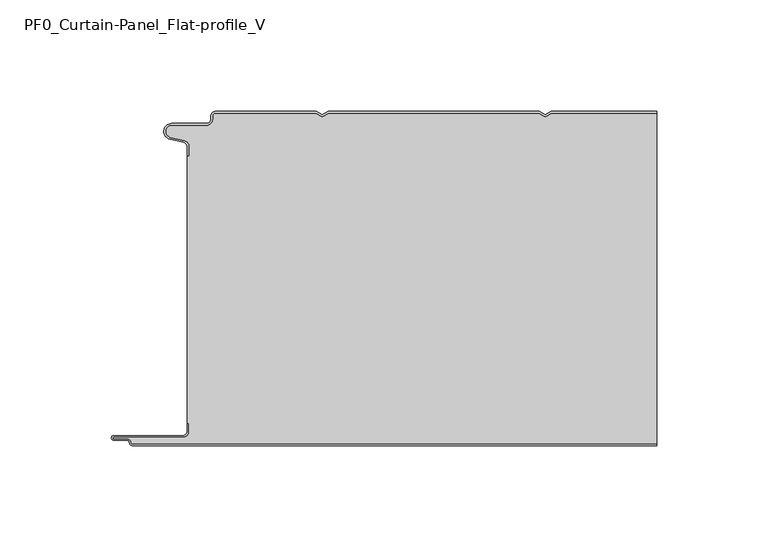
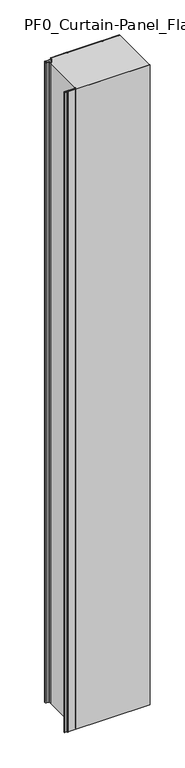
"""IFC4 building model written with IfcOpenShell, lengths in millimetres: plate geometry, PF0_Curtain-Panel_Flat-profile_V."""

from ifc_helpers import new_model, si_unit, point, frame_2d, origin, origin_with_axes, place, context, project, spatial, polyline, circle_curve, trimmed, segment, composite_curve, outline, extrude, source, transform, mapped, element, save


def pf0_curtain_panel_flat_profile_v_b489e0cc(model_context):
    return source(origin(), model_context, "Body", "SweptSolid", [
        extrude(outline(composite_curve([segment(trimmed(circle_curve(frame_2d((-102.0119739, -15.878557)), 2.0), [point((-100.0119739, -15.878557))], [point((-101.5620718, -13.9298169))], True, "CARTESIAN"), True, "CONTINUOUS"), segment(polyline([(-101.5620718, -13.9298169), (-107.7217978, -12.507732)]), True, "CONTINUOUS"), segment(trimmed(circle_curve(frame_2d((-106.9119739, -9.0)), 3.6), [point((-107.7217978, -12.507732))], [point((-106.9119739, -5.4))], False, "CARTESIAN"), True, "CONTINUOUS"), segment(polyline([(-106.9119739, -5.4), (-91.4119739, -5.4)]), True, "CONTINUOUS"), segment(trimmed(circle_curve(frame_2d((-91.4119739, -3.4)), 2.0), [point((-91.4119739, -5.4))], [point((-89.4119739, -3.4))], True, "CARTESIAN"), True, "CONTINUOUS"), segment(polyline([(-89.4119739, -3.4), (-89.4119739, -2.0)]), True, "CONTINUOUS"), segment(trimmed(circle_curve(frame_2d((-87.4119739, -2.0)), 2.0), [point((-89.4119739, -2.0))], [point((-87.4119739, 0.0))], False, "CARTESIAN"), True, "CONTINUOUS"), segment(polyline([(-87.4119739, 0.0), (-42.1119734, 0.0), (-39.4119739, -1.5588455), (-36.7119745, 0.0), (57.8880266, 0.0), (60.5880261, -1.5588455), (63.2880255, 0.0), (110.6119739, 0.0), (110.6119739, -0.8), (63.5023849, -0.8), (60.5880261, -2.482606), (57.6736672, -0.8), (-36.4976151, -0.8), (-39.4119739, -2.482606), (-42.3263328, -0.8), (-87.4119739, -0.8)]), True, "CONTINUOUS"), segment(trimmed(circle_curve(frame_2d((-87.4119739, -2.0)), 1.2), [point((-87.4119739, -0.8))], [point((-88.6119739, -2.0))], True, "CARTESIAN"), True, "CONTINUOUS"), segment(polyline([(-88.6119739, -2.0), (-88.6119739, -3.4)]), True, "CONTINUOUS"), segment(trimmed(circle_curve(frame_2d((-91.4119739, -3.4)), 2.8), [point((-88.6119739, -3.4))], [point((-91.4119739, -6.2))], False, "CARTESIAN"), True, "CONTINUOUS"), segment(polyline([(-91.4119739, -6.2), (-106.9119739, -6.2)]), True, "CONTINUOUS"), segment(trimmed(circle_curve(frame_2d((-106.9119739, -9.0)), 2.8), [point((-106.9119739, -6.2))], [point((-107.541837, -11.7282362))], True, "CARTESIAN"), True, "CONTINUOUS"), segment(polyline([(-107.541837, -11.7282362), (-101.3821109, -13.150321)]), True, "CONTINUOUS"), segment(trimmed(circle_curve(frame_2d((-102.0119739, -15.878557)), 2.8), [point((-101.3821109, -13.150321))], [point((-99.2119739, -15.878557))], False, "CARTESIAN"), True, "CONTINUOUS"), segment(polyline([(-99.2119739, -15.878557), (-99.2119739, -20.0), (-100.0119739, -20.0), (-100.0119739, -15.878557)]), True, "CONTINUOUS")], self_intersect=False)), origin_with_axes(), (0.0, 0.0, 1.0), 1945.7507136),
        extrude(outline(composite_curve([segment(polyline([(-99.2119739, -140.0), (-100.0119739, -140.0), (-100.0119739, -20.0), (-99.2119739, -20.0), (-99.2119739, -15.878557)]), True, "CONTINUOUS"), segment(trimmed(circle_curve(frame_2d((-102.0119739, -15.878557)), 2.8), [point((-99.2119739, -15.878557))], [point((-101.3821109, -13.1503208))], True, "CARTESIAN"), True, "CONTINUOUS"), segment(polyline([(-101.3821109, -13.1503208), (-107.5418369, -11.7282362)]), True, "CONTINUOUS"), segment(trimmed(circle_curve(frame_2d((-106.9119739, -9.0)), 2.8), [point((-107.5418369, -11.7282362))], [point((-106.9119739, -6.2))], False, "CARTESIAN"), True, "CONTINUOUS"), segment(polyline([(-106.9119739, -6.2), (-91.4119739, -6.2)]), True, "CONTINUOUS"), segment(trimmed(circle_curve(frame_2d((-91.4119739, -3.4)), 2.8), [point((-91.4119739, -6.2))], [point((-88.6119739, -3.4))], True, "CARTESIAN"), True, "CONTINUOUS"), segment(polyline([(-88.6119739, -3.4), (-88.6119739, -2.0)]), True, "CONTINUOUS"), segment(trimmed(circle_curve(frame_2d((-87.4119739, -2.0)), 1.2), [point((-88.6119739, -2.0))], [point((-87.4119739, -0.8))], False, "CARTESIAN"), True, "CONTINUOUS"), segment(polyline([(-87.4119739, -0.8), (-42.3263328, -0.8), (-39.4119739, -2.482606), (-36.4976151, -0.8), (57.6736672, -0.8), (60.5880261, -2.482606), (63.5023849, -0.8), (110.6119739, -0.8), (110.6119739, -149.2), (-124.4119739, -149.2)]), True, "CONTINUOUS"), segment(trimmed(circle_curve(frame_2d((-124.4119739, -148.4)), 0.8), [point((-124.4119739, -149.2))], [point((-125.2119739, -148.4))], False, "CARTESIAN"), True, "CONTINUOUS"), segment(trimmed(circle_curve(frame_2d((-126.9119739, -148.6133333)), 1.7133333), [point((-125.2119739, -148.4))], [point((-126.9119739, -146.9))], True, "CARTESIAN"), True, "CONTINUOUS"), segment(polyline([(-126.9119739, -146.9), (-132.8820051, -146.9)]), True, "CONTINUOUS"), segment(trimmed(circle_curve(frame_2d((-132.8820051, -146.6)), 0.3), [point((-132.8820051, -146.9))], [point((-132.8820051, -146.3))], False, "CARTESIAN"), True, "CONTINUOUS"), segment(polyline([(-132.8820051, -146.3), (-102.0119739, -146.3)]), True, "CONTINUOUS"), segment(trimmed(circle_curve(frame_2d((-102.0119739, -143.5)), 2.8), [point((-102.0119739, -146.3))], [point((-99.2119739, -143.5))], True, "CARTESIAN"), True, "CONTINUOUS"), segment(polyline([(-99.2119739, -143.5), (-99.2119739, -140.0)]), True, "CONTINUOUS")], self_intersect=False)), origin_with_axes(), (0.0, 0.0, 1.0), 1945.7507136),
        extrude(outline(composite_curve([segment(polyline([(-100.0119739, -140.0), (-99.2119739, -140.0), (-99.2119739, -143.5)]), True, "CONTINUOUS"), segment(trimmed(circle_curve(frame_2d((-102.0119739, -143.5)), 2.8), [point((-99.2119739, -143.5))], [point((-102.0119739, -146.3))], False, "CARTESIAN"), True, "CONTINUOUS"), segment(polyline([(-102.0119739, -146.3), (-132.8820051, -146.3)]), True, "CONTINUOUS"), segment(trimmed(circle_curve(frame_2d((-132.8820051, -146.6)), 0.3), [point((-132.8820051, -146.3))], [point((-132.8820051, -146.9))], True, "CARTESIAN"), True, "CONTINUOUS"), segment(polyline([(-132.8820051, -146.9), (-126.9119739, -146.9)]), True, "CONTINUOUS"), segment(trimmed(circle_curve(frame_2d((-126.9119739, -148.6133333)), 1.7133333), [point((-126.9119739, -146.9))], [point((-125.2119739, -148.4))], False, "CARTESIAN"), True, "CONTINUOUS"), segment(trimmed(circle_curve(frame_2d((-124.4119739, -148.4)), 0.8), [point((-125.2119739, -148.4))], [point((-124.4119739, -149.2))], True, "CARTESIAN"), True, "CONTINUOUS"), segment(polyline([(-124.4119739, -149.2), (110.6119739, -149.2), (110.6119739, -150.0), (-124.4119739, -150.0)]), True, "CONTINUOUS"), segment(trimmed(circle_curve(frame_2d((-124.4119739, -148.4)), 1.6), [point((-124.4119739, -150.0))], [point((-126.0119739, -148.4))], False, "CARTESIAN"), True, "CONTINUOUS"), segment(trimmed(circle_curve(frame_2d((-126.9119739, -148.4)), 0.9), [point((-126.0119739, -148.4))], [point((-126.9119739, -147.5))], True, "CARTESIAN"), True, "CONTINUOUS"), segment(polyline([(-126.9119739, -147.5), (-133.0119739, -147.5)]), True, "CONTINUOUS"), segment(trimmed(circle_curve(frame_2d((-133.0119739, -146.5)), 1.0), [point((-133.0119739, -147.5))], [point((-133.0119739, -145.5))], False, "CARTESIAN"), True, "CONTINUOUS"), segment(polyline([(-133.0119739, -145.5), (-102.0119739, -145.5)]), True, "CONTINUOUS"), segment(trimmed(circle_curve(frame_2d((-102.0119739, -143.5)), 2.0), [point((-102.0119739, -145.5))], [point((-100.0119739, -143.5))], True, "CARTESIAN"), True, "CONTINUOUS"), segment(polyline([(-100.0119739, -143.5), (-100.0119739, -140.0)]), True, "CONTINUOUS")], self_intersect=False)), origin_with_axes(), (0.0, 0.0, 1.0), 1945.7507136),
    ])


if __name__ == "__main__":
    model = new_model("IFC4")
    model_context = context("Model", 3, world=origin())
    ifc_project = project(units=[si_unit("LENGTHUNIT", "METRE", prefix="MILLI")], contexts=[model_context])
    site = spatial("IfcSite", under=ifc_project)
    building = spatial("IfcBuilding", under=site)
    placement = place(None, origin())
    pf0_curtain_panel_flat_profile_v_shape = pf0_curtain_panel_flat_profile_v_b489e0cc(model_context)
    element("IfcPlate", 1, ObjectType="PF0_Curtain-Panel_Flat-profile_V", at=placement, inside=building, context=model_context, shape_type="MappedRepresentation", body=[
        mapped(pf0_curtain_panel_flat_profile_v_shape, transform((0.0, 0.0, 0.0), x_axis=(1.0, 0.0, 0.0), y_axis=(0.0, 1.0, 0.0), z_axis=(0.0, 0.0, 1.0))),
    ])
    save(model, "model.ifc")
